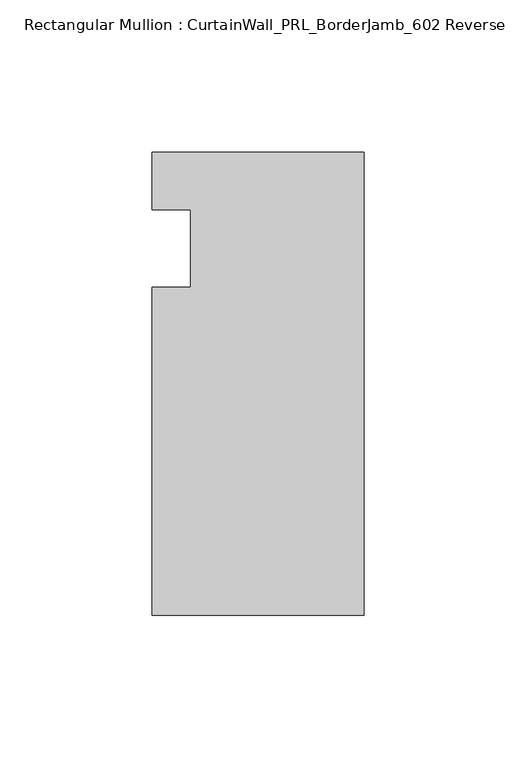
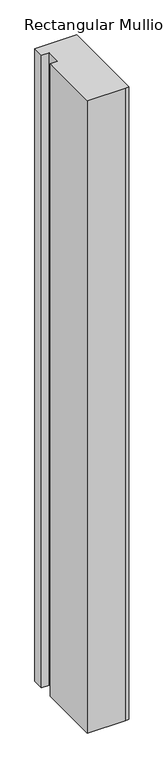
"""IFC4 building model written with IfcOpenShell, lengths in millimetres: member geometry, Rectangular Mullion : CurtainWall_PRL_BorderJamb_602 Reverse."""

from ifc_helpers import new_model, si_unit, frame, origin, place, context, project, spatial, polyline, outline, extrude, source, transform, mapped, element, save


def rectangular_mullion_curtainwall_prl_borderjamb_602_reverse_0d6e9841(model_context):
    return source(origin(), model_context, "Body", "SweptSolid", [
        extrude(outline(polyline([(-57.15, -12.7), (-57.15, 12.7), (-69.85, 12.7), (-69.85, 31.75), (-7.3958824, 31.75), (0.0, 31.75), (0.0, -120.65), (-6.35, -120.65), (-69.85, -120.65), (-69.85, -12.7), (-57.15, -12.7)])), frame((0.0, 0.0, -1122.6348719), z_axis=(0.0, 0.0, 1.0), x_axis=(1.0, 0.0, 0.0)), (0.0, 0.0, 1.0), 1122.6348719),
    ])


if __name__ == "__main__":
    model = new_model("IFC4")
    model_context = context("Model", 3, world=origin())
    ifc_project = project(units=[si_unit("LENGTHUNIT", "METRE", prefix="MILLI")], contexts=[model_context])
    site = spatial("IfcSite", under=ifc_project)
    building = spatial("IfcBuilding", under=site)
    placement = place(None, origin())
    rectangular_mullion_curtainwall_prl_borderjamb_602_reverse_shape = rectangular_mullion_curtainwall_prl_borderjamb_602_reverse_0d6e9841(model_context)
    element("IfcMember", 1, ObjectType="Rectangular Mullion : CurtainWall_PRL_BorderJamb_602 Reverse", at=placement, inside=building, context=model_context, shape_type="MappedRepresentation", body=[
        mapped(rectangular_mullion_curtainwall_prl_borderjamb_602_reverse_shape, transform((0.0, 0.0, 0.0), x_axis=(1.0, 0.0, 0.0), y_axis=(0.0, 1.0, 0.0), z_axis=(0.0, 0.0, 1.0))),
    ])
    save(model, "model.ifc")
